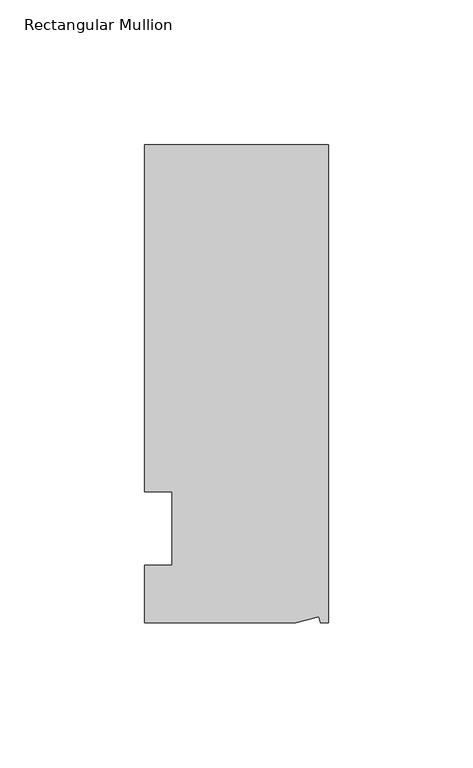
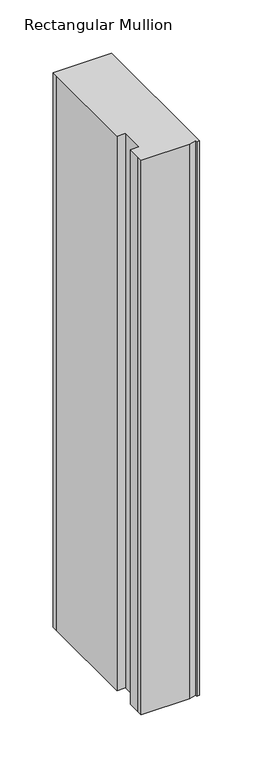
"""IFC4 building model written with IfcOpenShell, lengths in millimetres: member geometry, Rectangular Mullion."""

import ifcopenshell
import ifcopenshell.guid

model = None  # the IFC model being written
_history = None  # IfcOwnerHistory: only IFC2X3 demands one
_inside = {}  # id of a spatial element -> (the spatial element, [elements in it])
_under = {}  # id of a project, library or spatial element -> (it, [spatial elements below it])
_declared = {}  # id of a project -> (the project, [libraries it declares])
_typed = {}  # id of a type object -> (the type object, [elements of that type])
_made_of = {}  # id of a material, layer set ... -> (it, [elements and type objects made of it])


def new_model(schema):
    """Start an empty IFC model of exactly this schema.

    Asked for "IFC4X3", IfcOpenShell would pick the latest addendum, in which some entities
    have other attributes; the version numbers below select the first issue.
    IFC2X3 requires an IfcOwnerHistory on every rooted entity: one is made here for all.
    """
    global model, _history
    if schema == "IFC4X3":
        model = ifcopenshell.file(schema_version=(4, 3, 0, 0))
    else:
        model = ifcopenshell.file(schema=schema)
    _inside.clear()
    _under.clear()
    _declared.clear()
    _typed.clear()
    _made_of.clear()
    _history = None
    if model.schema == "IFC2X3":
        org = make("IfcOrganization", Name="unknown")
        user = make(
            "IfcPersonAndOrganization",
            ThePerson=make("IfcPerson", FamilyName="unknown"),
            TheOrganization=org,
        )
        app = make(
            "IfcApplication",
            ApplicationDeveloper=org,
            Version="unknown",
            ApplicationFullName="unknown",
            ApplicationIdentifier="unknown",
        )
        _history = make(
            "IfcOwnerHistory",
            OwningUser=user,
            OwningApplication=app,
            ChangeAction="ADDED",
            CreationDate=0,
        )
    return model


def make(cls, **values):
    """One entity of the class cls with the attributes given. An attribute that is None is left unset."""
    return model.create_entity(
        cls, **{name: value for name, value in values.items() if value is not None}
    )


def rooted(cls, **values):
    """An entity with a GlobalId (a new one), such as an element, a storey or a relation."""
    return make(cls, GlobalId=ifcopenshell.guid.new(), OwnerHistory=_history, **values)


def si_unit(unit_type, name, prefix=None):
    """IfcSIUnit, for example si_unit("LENGTHUNIT", "METRE", prefix="MILLI")."""
    return make("IfcSIUnit", UnitType=unit_type, Prefix=prefix, Name=name)


def assignment(units):
    """IfcUnitAssignment: the units of a project."""
    return None if units is None else make("IfcUnitAssignment", Units=units)


def point(xyz):
    """IfcCartesianPoint."""
    return None if xyz is None else make("IfcCartesianPoint", Coordinates=xyz)


def direction(xyz):
    """IfcDirection."""
    return None if xyz is None else make("IfcDirection", DirectionRatios=xyz)


def frame(location, z_axis=None, x_axis=None):
    """IfcAxis2Placement3D, a coordinate frame: its origin and axes. An axis left out is left unset."""
    return make(
        "IfcAxis2Placement3D",
        Location=point(location),
        Axis=direction(z_axis),
        RefDirection=direction(x_axis),
    )


def origin():
    """The frame at (0, 0, 0) with its axes left unset."""
    return frame((0.0, 0.0, 0.0))


def place(relative_to, where):
    """IfcLocalPlacement: puts the frame where relative to a parent placement (None: the world)."""
    return make(
        "IfcLocalPlacement", PlacementRelTo=relative_to, RelativePlacement=where
    )


def context(
    kind, dimensions, precision=None, world=None, true_north=None, identifier=None
):
    """IfcGeometricRepresentationContext, for example the 3D "Model" context."""
    return make(
        "IfcGeometricRepresentationContext",
        ContextIdentifier=identifier,
        ContextType=kind,
        CoordinateSpaceDimension=dimensions,
        Precision=precision,
        WorldCoordinateSystem=world,
        TrueNorth=true_north,
    )


def project(units=None, contexts=None):
    """IfcProject with its units and contexts."""
    return rooted(
        "IfcProject",
        Name="project",
        RepresentationContexts=contexts,
        UnitsInContext=assignment(units),
    )


def spatial(cls, under=None, at=None, **own):
    """A site, building, storey or space (cls), placed at a placement, below another one or the project."""
    s = rooted(cls, ObjectPlacement=at, **own)
    if under is not None:
        _under.setdefault(under.id(), (under, []))[1].append(s)
    return s


def polyline(points):
    """IfcPolyline through the points."""
    return make("IfcPolyline", Points=[point(p) for p in points])


def outline(outer, holes=None, kind="AREA"):
    """IfcArbitraryClosedProfileDef: a profile drawn as a closed curve; with holes, ...WithVoids."""
    if holes is None:
        return make("IfcArbitraryClosedProfileDef", ProfileType=kind, OuterCurve=outer)
    return make(
        "IfcArbitraryProfileDefWithVoids",
        ProfileType=kind,
        OuterCurve=outer,
        InnerCurves=holes,
    )


def extrude(swept, where, along, depth):
    """IfcExtrudedAreaSolid: the profile swept, set in the frame where, extruded along a direction by depth."""
    return make(
        "IfcExtrudedAreaSolid",
        SweptArea=swept,
        Position=where,
        ExtrudedDirection=direction(along),
        Depth=depth,
    )


def shape(context_of_items, identifier, shape_type, items):
    """IfcShapeRepresentation: the items that make up one representation, for example the "Body"."""
    return make(
        "IfcShapeRepresentation",
        ContextOfItems=context_of_items,
        RepresentationIdentifier=identifier,
        RepresentationType=shape_type,
        Items=items,
    )


def source(mapping_origin, context_of_items, identifier, shape_type, items):
    """IfcRepresentationMap: a shape defined once, which mapped items show again and again."""
    return make(
        "IfcRepresentationMap",
        MappingOrigin=mapping_origin,
        MappedRepresentation=shape(context_of_items, identifier, shape_type, items),
    )


def transform(
    local_origin,
    x_axis=None,
    y_axis=None,
    z_axis=None,
    scale=None,
    scale2=None,
    scale3=None,
    uniform=True,
):
    """IfcCartesianTransformationOperator3D, or its non-uniform kind. x_axis, y_axis, z_axis: its Axis1, 2, 3."""
    if uniform:
        return make(
            "IfcCartesianTransformationOperator3D",
            Axis1=direction(x_axis),
            Axis2=direction(y_axis),
            LocalOrigin=point(local_origin),
            Scale=scale,
            Axis3=direction(z_axis),
        )
    return make(
        "IfcCartesianTransformationOperator3DnonUniform",
        Axis1=direction(x_axis),
        Axis2=direction(y_axis),
        LocalOrigin=point(local_origin),
        Scale=scale,
        Axis3=direction(z_axis),
        Scale2=scale2,
        Scale3=scale3,
    )


def mapped(mapping_source, mapping_target):
    """IfcMappedItem: shows the shape of a source again, moved by a transform."""
    return make(
        "IfcMappedItem", MappingSource=mapping_source, MappingTarget=mapping_target
    )


def made_of(thing, what):
    """Note that an element or type object is made of a material, layer set ...; save() writes the relation."""
    if what is not None:
        _made_of.setdefault(what.id(), (what, []))[1].append(thing)
    return thing


def element(
    cls,
    number,
    at=None,
    inside=None,
    cuts=None,
    type_object=None,
    material=None,
    context=None,
    identifier="Body",
    shape_type=None,
    held_by="IfcProductDefinitionShape",
    body=None,
    shapes=None,
    **own,
):
    """One element of the class cls, such as IfcWall. Its Tag is "e" and its number.

    at: its placement. inside: the storey or other place that contains it. cuts: it is an
    opening in that element (IfcRelVoidsElement). A single representation is given by context,
    identifier, shape_type and body (its items); several are given by shapes. held_by: the class
    of the entity that holds the representations. save() writes the other relations.
    """
    e = rooted(cls, Tag="e%d" % number, ObjectPlacement=at, **own)
    if body is not None:
        shapes = [shape(context, identifier, shape_type, body)]
    if shapes is not None:
        e.Representation = make(held_by, Representations=shapes)
    if inside is not None:
        _inside.setdefault(inside.id(), (inside, []))[1].append(e)
    if cuts is not None:
        rooted(
            "IfcRelVoidsElement", RelatingBuildingElement=cuts, RelatedOpeningElement=e
        )
    if type_object is not None:
        _typed.setdefault(type_object.id(), (type_object, []))[1].append(e)
    return made_of(e, material)


def aggregate(whole, parts):
    """IfcRelAggregates: a whole, such as a stair, and the parts it consists of."""
    return rooted("IfcRelAggregates", RelatingObject=whole, RelatedObjects=parts)


def save(model, path):
    """Write the relations noted so far, then the file.

    IfcRelAggregates (storeys below a building ...), IfcRelContainedInSpatialStructure (elements
    in a storey), IfcRelDefinesByType, IfcRelAssociatesMaterial and IfcRelDeclares: one each for
    every whole, place, type object, material and project.
    """
    for whole, parts in _under.values():
        aggregate(whole, parts)
    for where, things in _inside.values():
        rooted(
            "IfcRelContainedInSpatialStructure",
            RelatedElements=things,
            RelatingStructure=where,
        )
    for kind, things in _typed.values():
        rooted("IfcRelDefinesByType", RelatedObjects=things, RelatingType=kind)
    for what, things in _made_of.values():
        rooted("IfcRelAssociatesMaterial", RelatedObjects=things, RelatingMaterial=what)
    for by, libraries in _declared.values():
        rooted("IfcRelDeclares", RelatingContext=by, RelatedDefinitions=libraries)
    model.write(path)


def rectangular_mullion_53a8d006(model_context):
    return source(origin(), model_context, "Body", "SweptSolid", [
        extrude(outline(polyline([(0.0, 132.5561012), (0.0, -32.5438988), (-2.7616541, -32.5438988), (-3.3341886, -30.4622958), (-11.121847, -32.5438988), (-63.5, -32.5438988), (-63.5, -26.1938988), (-63.5, -12.5945801), (-53.975, -12.5945801), (-53.975, 12.8054199), (-63.5, 12.8054199), (-63.5, 126.2061012), (-63.5, 132.5561012), (0.0, 132.5561012)])), frame((0.0, 0.0, -635.0), z_axis=(0.0, 0.0, 1.0), x_axis=(1.0, 0.0, 0.0)), (0.0, 0.0, 1.0), 635.0),
    ])


if __name__ == "__main__":
    model = new_model("IFC4")
    model_context = context("Model", 3, world=origin())
    ifc_project = project(units=[si_unit("LENGTHUNIT", "METRE", prefix="MILLI")], contexts=[model_context])
    site = spatial("IfcSite", under=ifc_project)
    building = spatial("IfcBuilding", under=site)
    placement = place(None, origin())
    rectangular_mullion_shape = rectangular_mullion_53a8d006(model_context)
    element("IfcMember", 1, ObjectType="Rectangular Mullion", at=placement, inside=building, context=model_context, shape_type="MappedRepresentation", body=[
        mapped(rectangular_mullion_shape, transform((0.0, 0.0, 0.0), x_axis=(1.0, 0.0, 0.0), y_axis=(0.0, 1.0, 0.0), z_axis=(0.0, 0.0, 1.0))),
    ])
    save(model, "model.ifc")
